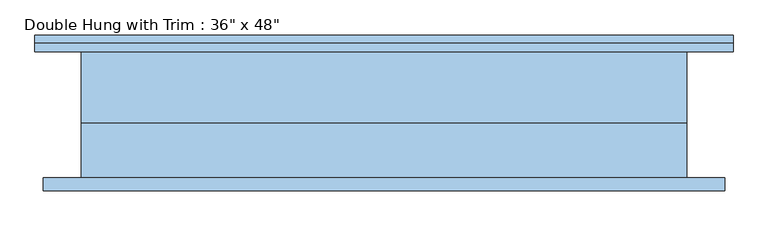
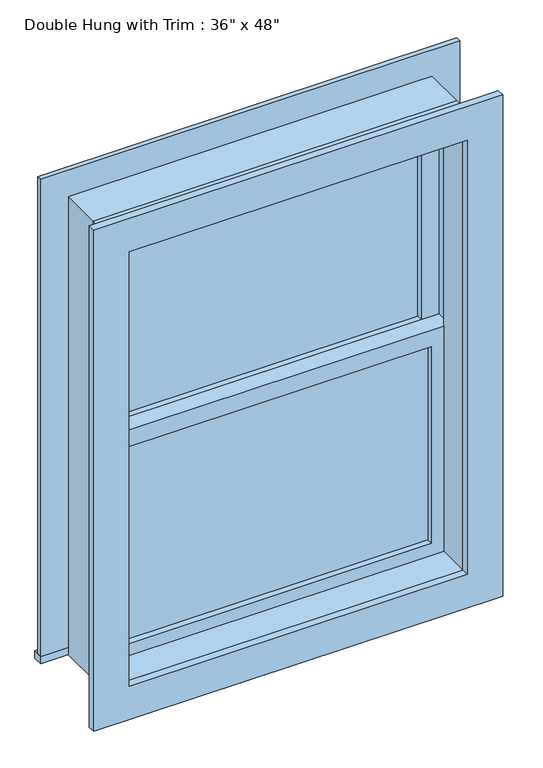
"""IFC4 building model written with IfcOpenShell, lengths in millimetres: window geometry."""

from ifc_helpers import new_model, si_unit, frame, origin, place, context, project, spatial, polyline, outline, extrude, source, transform, mapped, element, save


def window_22aa7966(model_context):
    return source(origin(), model_context, "Body", "SweptSolid", [
        extrude(outline(polyline([(-393.7, 15.875), (393.7, 15.875), (393.7, 3.175), (-393.7, 3.175), (-393.7, 15.875)])), frame((0.0, 0.0, 977.9), z_axis=(0.0, 0.0, 1.0), x_axis=(1.0, 0.0, 0.0)), (0.0, 0.0, 1.0), 523.875),
        extrude(outline(polyline([(1546.225, -438.15), (933.45, -438.15), (933.45, 438.15), (1546.225, 438.15), (1546.225, -438.15)]), holes=[polyline([(1501.775, -393.7), (1501.775, 393.7), (977.9, 393.7), (977.9, -393.7), (1501.775, -393.7)])]), frame((0.0, -12.7, 0.0), z_axis=(0.0, 1.0, 0.0), x_axis=(0.0, 0.0, 1.0)), (0.0, 0.0, 1.0), 44.45),
        extrude(outline(polyline([(-527.05, 120.65), (527.05, 120.65), (527.05, 95.25), (-527.05, 95.25), (-527.05, 120.65)])), frame((0.0, 0.0, 914.4), z_axis=(0.0, 0.0, 1.0), x_axis=(1.0, 0.0, 0.0)), (0.0, 0.0, 1.0), 19.05),
        extrude(outline(polyline([(2114.55, -438.15), (2114.55, 438.15), (933.45, 438.15), (933.45, 527.05), (2203.45, 527.05), (2203.45, -527.05), (933.45, -527.05), (933.45, -438.15), (2114.55, -438.15)])), frame((0.0, 95.25, 0.0), z_axis=(0.0, 1.0, 0.0), x_axis=(0.0, 0.0, 1.0)), (0.0, 0.0, 1.0), 12.7),
        extrude(outline(polyline([(2190.75, 514.35), (2190.75, -514.35), (857.25, -514.35), (857.25, 514.35), (2190.75, 514.35)]), holes=[polyline([(2101.85, 425.45), (946.15, 425.45), (946.15, -425.45), (2101.85, -425.45), (2101.85, 425.45)])]), frame((0.0, -114.3, 0.0), z_axis=(0.0, 1.0, 0.0), x_axis=(0.0, 0.0, 1.0)), (0.0, 0.0, 1.0), 19.05),
        extrude(outline(polyline([(393.7, 47.625), (-393.7, 47.625), (-393.7, 60.325), (393.7, 60.325), (393.7, 47.625)])), frame((0.0, 0.0, 1546.225), z_axis=(0.0, 0.0, 1.0), x_axis=(1.0, 0.0, 0.0)), (0.0, 0.0, 1.0), 523.875),
        extrude(outline(polyline([(2114.55, -438.15), (1501.775, -438.15), (1501.775, 438.15), (2114.55, 438.15), (2114.55, -438.15)]), holes=[polyline([(2070.1, -393.7), (2070.1, 393.7), (1546.225, 393.7), (1546.225, -393.7), (2070.1, -393.7)])]), frame((0.0, 31.75, 0.0), z_axis=(0.0, 1.0, 0.0), x_axis=(0.0, 0.0, 1.0)), (0.0, 0.0, 1.0), 44.45),
        extrude(outline(polyline([(2133.6, -457.2), (914.4, -457.2), (914.4, 457.2), (2133.6, 457.2), (2133.6, -457.2)]), holes=[polyline([(2101.85, -425.45), (2101.85, 425.45), (946.15, 425.45), (946.15, -425.45), (2101.85, -425.45)])]), frame((0.0, -95.25, 0.0), z_axis=(0.0, 1.0, 0.0), x_axis=(0.0, 0.0, 1.0)), (0.0, 0.0, 1.0), 82.55),
        extrude(outline(polyline([(2133.6, 457.2), (2133.6, -457.2), (914.4, -457.2), (914.4, 457.2), (2133.6, 457.2)]), holes=[polyline([(2114.55, 438.15), (933.45, 438.15), (933.45, -438.15), (2114.55, -438.15), (2114.55, 438.15)])]), frame((0.0, -12.7, 0.0), z_axis=(0.0, 1.0, 0.0), x_axis=(0.0, 0.0, 1.0)), (0.0, 0.0, 1.0), 107.95),
    ])


if __name__ == "__main__":
    model = new_model("IFC4")
    model_context = context("Model", 3, world=origin())
    ifc_project = project(units=[si_unit("LENGTHUNIT", "METRE", prefix="MILLI")], contexts=[model_context])
    site = spatial("IfcSite", under=ifc_project)
    building = spatial("IfcBuilding", under=site)
    placement = place(None, origin())
    window_shape = window_22aa7966(model_context)
    element("IfcWindow", 1, ObjectType="Double Hung with Trim : 36\" x 48\"", at=placement, inside=building, context=model_context, shape_type="MappedRepresentation", body=[
        mapped(window_shape, transform((0.0, 0.0, 0.0), x_axis=(1.0, 0.0, 0.0), y_axis=(0.0, 1.0, 0.0), z_axis=(0.0, 0.0, 1.0))),
    ])
    save(model, "model.ifc")
